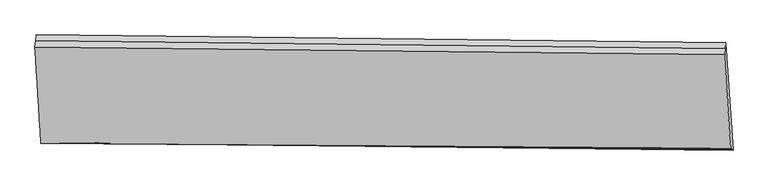
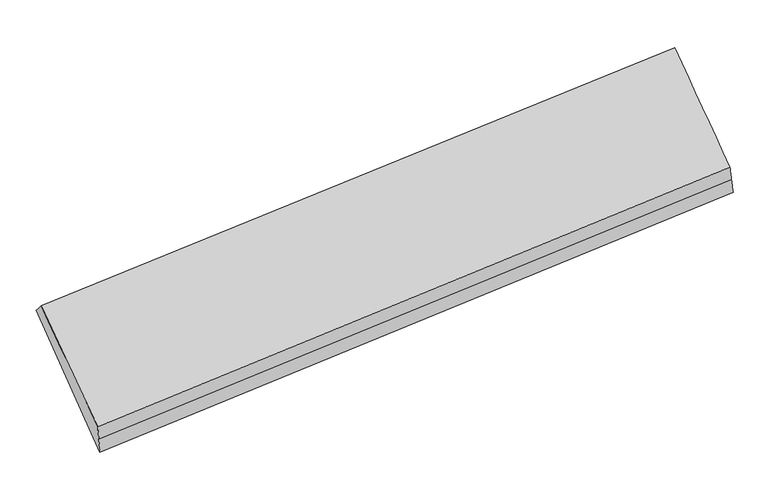
"""IFC4 building model written with IfcOpenShell, lengths in millimetres: proxy geometry."""

from ifc_helpers import new_model, si_unit, frame, origin, place, context, project, spatial, source, transform, mapped, element, save
from ifc_brep_helpers import plane_surface, spline_surface, advanced_brep


def generic_models_4ee44249(model_context):
    return source(origin(), model_context, "Body", "AdvancedBrep", [
        advanced_brep(
        [(-6270.4518557, -909.5447705, 2009.8113766), (-6276.5188059, -968.9394639, 2072.8963463), (488.4222345, -1045.7682906, 2682.5606787), (494.4855734, -986.4089512, 2619.5132596), (-6197.2390532, -1971.93451, 1016.6091175), (566.270933, -2044.0218288, 1643.5981471), (-6210.174967, -1973.7772463, 1167.3870426), (554.1944843, -2034.3960693, 1785.8374096), (-6223.1108808, -1975.6199826, 1318.1649677), (542.1180357, -2024.7703098, 1928.0766722), (-6282.585756, -1028.3341573, 2135.9813159), (482.3588956, -1105.12763, 2745.6080978)],
        [
            (0, 1),
            (1, 2),
            (2, 3),
            (3, 0),
            (4, 0),
            (3, 5),
            (5, 4),
            (6, 4),
            (5, 7),
            (7, 6),
            (8, 6),
            (7, 9),
            (9, 8),
            (10, 8),
            (9, 11),
            (11, 10),
            (1, 10),
            (11, 2),
        ],
        [
            plane_surface(frame((-6273.4853308, -939.2421172, 2041.3538614), z_axis=(-0.05315922765141197, 0.7295983311840832, 0.6818066966882229), x_axis=(-0.06984934956224885, -0.6838165119936781, 0.7263029989546586))),
            spline_surface(1, 1, [[(-6197.2390532, -1971.93451, 1016.6091175), (566.270933, -2044.0218288, 1643.5981471)], [(-6270.4518557, -909.5447705, 2009.8113766), (494.4855734, -986.4089512, 2619.5132596)]], [2, 2], [2, 2], [0.0, 1.0], [0.0, 1.0]),
            spline_surface(1, 1, [[(-6210.174967, -1973.7772463, 1167.3870426), (554.1944843, -2034.3960693, 1785.8374096)], [(-6197.2390532, -1971.93451, 1016.6091175), (566.270933, -2044.0218288, 1643.5981471)]], [2, 2], [2, 2], [0.0, 1.0], [0.0, 1.0]),
            spline_surface(1, 1, [[(-6223.1108808, -1975.6199826, 1318.1649677), (542.1180357, -2024.7703098, 1928.0766722)], [(-6210.174967, -1973.7772463, 1167.3870426), (554.1944843, -2034.3960693, 1785.8374096)]], [2, 2], [2, 2], [0.0, 1.0], [0.0, 1.0]),
            spline_surface(1, 1, [[(-6282.585756, -1028.3341573, 2135.9813159), (482.3588956, -1105.12763, 2745.6080978)], [(-6223.1108808, -1975.6199826, 1318.1649677), (542.1180357, -2024.7703098, 1928.0766722)]], [2, 2], [2, 2], [0.0, 1.0], [0.0, 1.0]),
            plane_surface(frame((-6279.552281, -998.6368106, 2104.4388311), z_axis=(-0.05315922765141201, 0.7295983311840832, 0.6818066966882228), x_axis=(-0.06984934956224963, -0.6838165119936781, 0.7263029989546586))),
            plane_surface(frame((521.3083594, -1540.08218, 2234.1990442), z_axis=(0.9962897611421269, -0.011124838531127435, 0.08534020043930206), x_axis=(0.08440632181740991, -0.0672776388598067, -0.9941575791325565))),
            plane_surface(frame((-6243.3468864, -1471.3583551, 1620.1416944), z_axis=(-0.9962897611421273, 0.011124838531124802, -0.085340200439299), x_axis=(0.06984934956224412, 0.6838165119936791, -0.7263029989546581))),
        ],
        [
            (0, [[1, 2, 3, 4]]),
            (1, [[5, -4, 6, 7]]),
            (2, [[8, -7, 9, 10]]),
            (3, [[11, -10, 12, 13]]),
            (4, [[14, -13, 15, 16]]),
            (5, [[17, -16, 18, -2]]),
            (6, [[-12, -9, -6, -3, -18, -15]]),
            (7, [[-1, -5, -8, -11, -14, -17]]),
        ],
    ),
    ])


if __name__ == "__main__":
    model = new_model("IFC4")
    model_context = context("Model", 3, world=origin())
    ifc_project = project(units=[si_unit("LENGTHUNIT", "METRE", prefix="MILLI")], contexts=[model_context])
    site = spatial("IfcSite", under=ifc_project)
    building = spatial("IfcBuilding", under=site)
    placement = place(None, origin())
    generic_models_shape = generic_models_4ee44249(model_context)
    element("IfcBuildingElementProxy", 1, Name="Generic Models", at=placement, inside=building, context=model_context, shape_type="MappedRepresentation", body=[
        mapped(generic_models_shape, transform((0.0, 0.0, 0.0), x_axis=(1.0, 0.0, 0.0), y_axis=(0.0, 1.0, 0.0), z_axis=(0.0, 0.0, 1.0))),
    ])
    save(model, "model.ifc")
